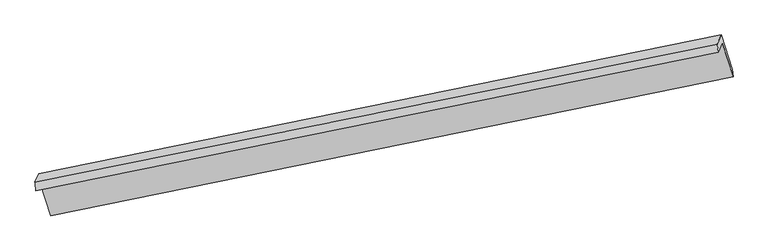
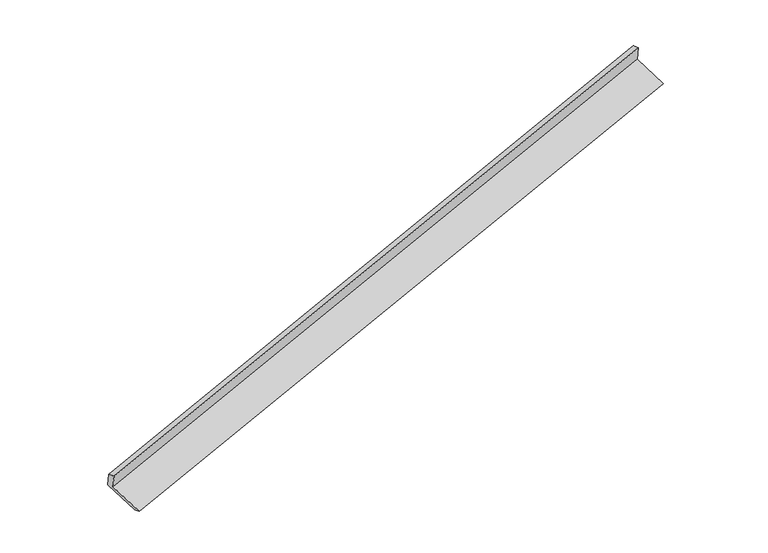
"""IFC4 building model written with IfcOpenShell, lengths in millimetres: proxy geometry."""

from ifc_helpers import new_model, si_unit, frame, origin, place, context, project, spatial, source, transform, mapped, element, save
from ifc_brep_helpers import plane_surface, spline_surface, advanced_brep


def generic_models_70647887(model_context):
    return source(origin(), model_context, "Body", "AdvancedBrep", [
        advanced_brep(
        [(-9704.1419474, -2850.8975242, 350.9542763), (-9626.3576339, -2673.0661201, -42.8516893), (3836.8965847, 67.9580107, 3843.0207304), (3755.5689026, -117.9742839, 4254.7660415), (-9723.2202706, -2682.6869621, 298.0604791), (3733.833053, 44.1606105, 4215.3267533), (-9646.737286, -2507.8306711, -89.1571265), (3812.9735641, 225.0925692, 3814.6546386), (-9431.684572, -3185.5470003, -352.7171731), (4028.0262781, -452.6237599, 3551.0945921), (-9415.3210268, -3338.1261049, -301.4897552), (4047.9331918, -597.1019741, 3584.3826645)],
        [
            (0, 1),
            (1, 2),
            (2, 3),
            (3, 0),
            (4, 0),
            (3, 5),
            (5, 4),
            (6, 4),
            (5, 7),
            (7, 6),
            (8, 6),
            (7, 9),
            (9, 8),
            (10, 8),
            (9, 11),
            (11, 10),
            (1, 10),
            (11, 2),
        ],
        [
            plane_surface(frame((-9665.2497907, -2761.9818222, 154.0512935), z_axis=(0.28242407930713775, -0.8939771974796404, -0.3479100599493548), x_axis=(0.17716842670054636, 0.4050445219076003, -0.8969672702240014))),
            spline_surface(1, 1, [[(-9723.2202706, -2682.6869621, 298.0604791), (3733.833053, 44.1606105, 4215.3267533)], [(-9704.1419474, -2850.8975242, 350.9542763), (3755.5689026, -117.9742839, 4254.7660415)]], [2, 2], [2, 2], [0.0, 1.0], [0.0, 1.0]),
            plane_surface(frame((-9684.9787783, -2595.2588166, 104.4516763), z_axis=(-0.28242407930713614, 0.8939771974796419, 0.3479100599493526), x_axis=(-0.17716842670056626, -0.4050445219076017, 0.8969672702239968))),
            plane_surface(frame((-9539.210929, -2846.6888357, -220.9371498), z_axis=(0.17782842606534874, 0.40517945327804716, -0.8967757030185551), x_axis=(-0.28360041032068256, 0.893737286319391, 0.34756937481370753))),
            spline_surface(1, 1, [[(-9415.3210268, -3338.1261049, -301.4897552), (4047.9331918, -597.1019741, 3584.3826645)], [(-9431.684572, -3185.5470003, -352.7171731), (4028.0262781, -452.6237599, 3551.0945921)]], [2, 2], [2, 2], [0.0, 1.0], [0.0, 1.0]),
            plane_surface(frame((-9520.8393303, -3005.5961125, -172.1707223), z_axis=(-0.1765083404339856, -0.4049093918613704, 0.897158397463734), x_axis=(0.28360041032065836, -0.8937372863194043, -0.34756937481369293))),
            plane_surface(frame((3869.2052624, -138.4148046, 3877.2075701), z_axis=(0.942434165258449, 0.19280196657470405, 0.27321282151198056), x_axis=(-0.28360041032068256, 0.893737286319391, 0.34756937481370753))),
            plane_surface(frame((-9591.2437894, -2873.0257304, -22.8668315), z_axis=(-0.9424341652584298, -0.19280196657478219, -0.27321282151199155), x_axis=(-0.17716842670054753, -0.40504452190760254, 0.8969672702240001))),
        ],
        [
            (0, [[1, 2, 3, 4]]),
            (1, [[5, -4, 6, 7]]),
            (2, [[8, -7, 9, 10]]),
            (3, [[11, -10, 12, 13]]),
            (4, [[14, -13, 15, 16]]),
            (5, [[17, -16, 18, -2]]),
            (6, [[-12, -9, -6, -3, -18, -15]]),
            (7, [[-1, -5, -8, -11, -14, -17]]),
        ],
    ),
    ])


if __name__ == "__main__":
    model = new_model("IFC4")
    model_context = context("Model", 3, world=origin())
    ifc_project = project(units=[si_unit("LENGTHUNIT", "METRE", prefix="MILLI")], contexts=[model_context])
    site = spatial("IfcSite", under=ifc_project)
    building = spatial("IfcBuilding", under=site)
    placement = place(None, origin())
    generic_models_shape = generic_models_70647887(model_context)
    element("IfcBuildingElementProxy", 1, Name="Generic Models", at=placement, inside=building, context=model_context, shape_type="MappedRepresentation", body=[
        mapped(generic_models_shape, transform((0.0, 0.0, 0.0), x_axis=(1.0, 0.0, 0.0), y_axis=(0.0, 1.0, 0.0), z_axis=(0.0, 0.0, 1.0))),
    ])
    save(model, "model.ifc")
